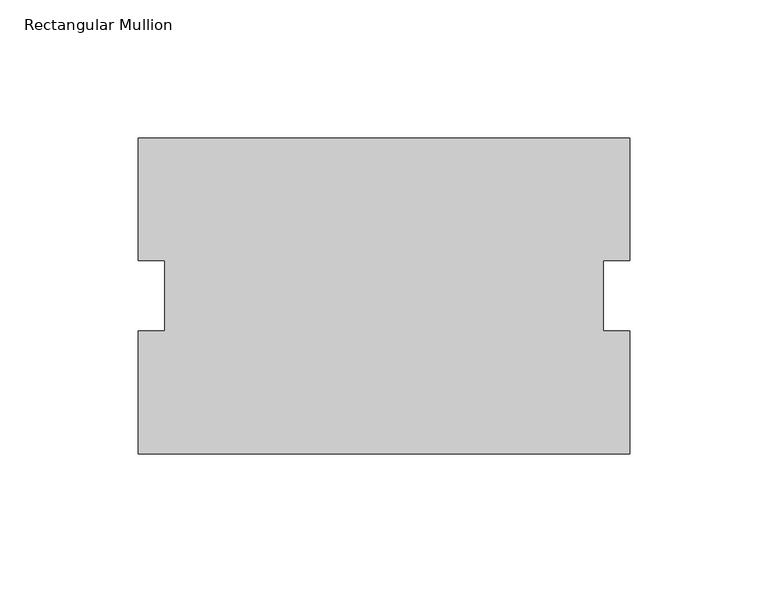
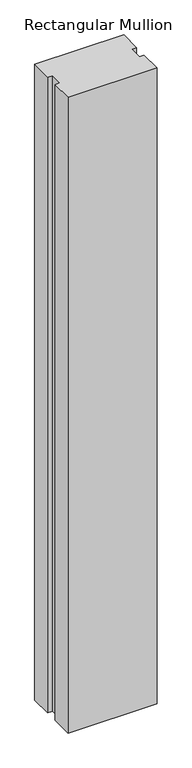
"""IFC4 building model written with IfcOpenShell, lengths in millimetres: member geometry, Rectangular Mullion."""

from ifc_helpers import new_model, si_unit, frame, origin, place, context, project, spatial, polyline, outline, extrude, source, transform, mapped, element, save


def rectangular_mullion_b2edd34c(model_context):
    return source(origin(), model_context, "Body", "SweptSolid", [
        extrude(outline(polyline([(88.9062149, 12.6437854), (79.3812149, 12.6437794), (79.3812311, -12.843919), (88.9062311, -12.8439129), (88.9062593, -57.2389103), (-88.9254907, -57.2390234), (-88.9255189, -12.844026), (-79.3814689, -12.84402), (-79.3814851, 12.6436784), (-88.9064851, 12.6436723), (-88.9065133, 57.0609766), (88.9061867, 57.0610897), (88.9062149, 12.6437854)])), frame((0.0, 0.0, -1339.85), z_axis=(0.0, 0.0, 1.0), x_axis=(1.0, 0.0, 0.0)), (0.0, 0.0, 1.0), 1339.85),
    ])


if __name__ == "__main__":
    model = new_model("IFC4")
    model_context = context("Model", 3, world=origin())
    ifc_project = project(units=[si_unit("LENGTHUNIT", "METRE", prefix="MILLI")], contexts=[model_context])
    site = spatial("IfcSite", under=ifc_project)
    building = spatial("IfcBuilding", under=site)
    placement = place(None, origin())
    rectangular_mullion_shape = rectangular_mullion_b2edd34c(model_context)
    element("IfcMember", 1, ObjectType="Rectangular Mullion", at=placement, inside=building, context=model_context, shape_type="MappedRepresentation", body=[
        mapped(rectangular_mullion_shape, transform((0.0, 0.0, 0.0), x_axis=(1.0, 0.0, 0.0), y_axis=(0.0, 1.0, 0.0), z_axis=(0.0, 0.0, 1.0))),
    ])
    save(model, "model.ifc")
